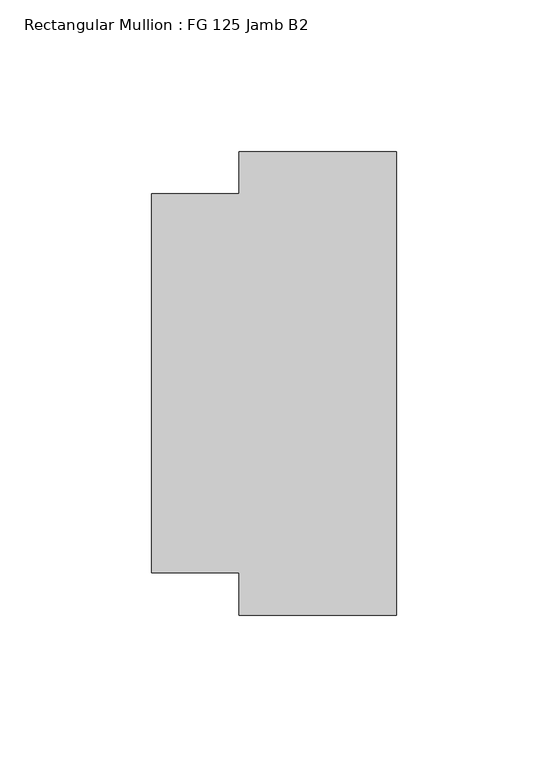
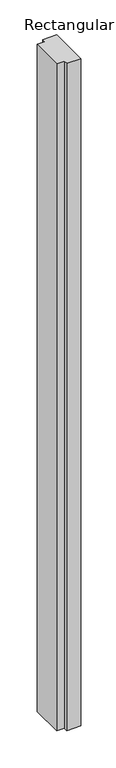
"""IFC4 building model written with IfcOpenShell, lengths in millimetres: member geometry, Rectangular Mullion : FG 125 Jamb B2."""

from ifc_helpers import new_model, si_unit, frame, origin, place, context, project, spatial, polyline, outline, extrude, source, transform, mapped, element, save


def rectangular_mullion_fg_125_jamb_b2_2b5837e9(model_context):
    return source(origin(), model_context, "Body", "SweptSolid", [
        extrude(outline(polyline([(0.0, -76.5), (-52.0, -76.5), (-52.0, -62.5), (-80.9079314, -62.5), (-80.9079314, 62.5), (-52.0, 62.5), (-52.0, 76.5), (0.0, 76.5), (0.0, -76.5)])), frame((0.0, 0.0, -2613.0), z_axis=(0.0, 0.0, 1.0), x_axis=(1.0, 0.0, 0.0)), (0.0, 0.0, 1.0), 2613.0),
    ])


if __name__ == "__main__":
    model = new_model("IFC4")
    model_context = context("Model", 3, world=origin())
    ifc_project = project(units=[si_unit("LENGTHUNIT", "METRE", prefix="MILLI")], contexts=[model_context])
    site = spatial("IfcSite", under=ifc_project)
    building = spatial("IfcBuilding", under=site)
    placement = place(None, origin())
    rectangular_mullion_fg_125_jamb_b2_shape = rectangular_mullion_fg_125_jamb_b2_2b5837e9(model_context)
    element("IfcMember", 1, ObjectType="Rectangular Mullion : FG 125 Jamb B2", at=placement, inside=building, context=model_context, shape_type="MappedRepresentation", body=[
        mapped(rectangular_mullion_fg_125_jamb_b2_shape, transform((0.0, 0.0, 0.0), x_axis=(1.0, 0.0, 0.0), y_axis=(0.0, 1.0, 0.0), z_axis=(0.0, 0.0, 1.0))),
    ])
    save(model, "model.ifc")
